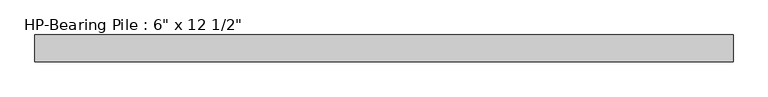
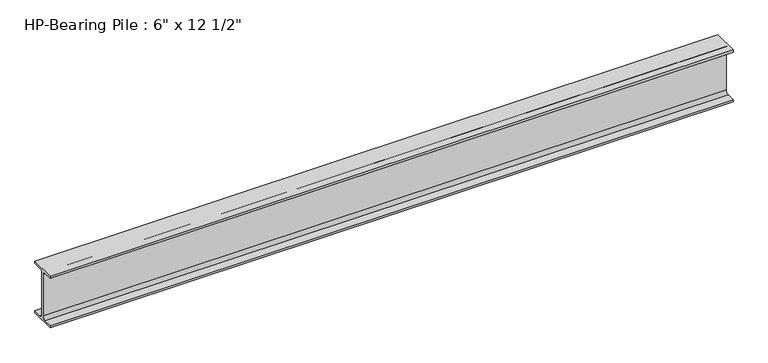
"""IFC4 building model written with IfcOpenShell, lengths in millimetres: beam geometry."""

import ifcopenshell
import ifcopenshell.guid

model = None  # the IFC model being written
_history = None  # IfcOwnerHistory: only IFC2X3 demands one
_inside = {}  # id of a spatial element -> (the spatial element, [elements in it])
_under = {}  # id of a project, library or spatial element -> (it, [spatial elements below it])
_declared = {}  # id of a project -> (the project, [libraries it declares])
_typed = {}  # id of a type object -> (the type object, [elements of that type])
_made_of = {}  # id of a material, layer set ... -> (it, [elements and type objects made of it])


def new_model(schema):
    """Start an empty IFC model of exactly this schema.

    Asked for "IFC4X3", IfcOpenShell would pick the latest addendum, in which some entities
    have other attributes; the version numbers below select the first issue.
    IFC2X3 requires an IfcOwnerHistory on every rooted entity: one is made here for all.
    """
    global model, _history
    if schema == "IFC4X3":
        model = ifcopenshell.file(schema_version=(4, 3, 0, 0))
    else:
        model = ifcopenshell.file(schema=schema)
    _inside.clear()
    _under.clear()
    _declared.clear()
    _typed.clear()
    _made_of.clear()
    _history = None
    if model.schema == "IFC2X3":
        org = make("IfcOrganization", Name="unknown")
        user = make(
            "IfcPersonAndOrganization",
            ThePerson=make("IfcPerson", FamilyName="unknown"),
            TheOrganization=org,
        )
        app = make(
            "IfcApplication",
            ApplicationDeveloper=org,
            Version="unknown",
            ApplicationFullName="unknown",
            ApplicationIdentifier="unknown",
        )
        _history = make(
            "IfcOwnerHistory",
            OwningUser=user,
            OwningApplication=app,
            ChangeAction="ADDED",
            CreationDate=0,
        )
    return model


def make(cls, **values):
    """One entity of the class cls with the attributes given. An attribute that is None is left unset."""
    return model.create_entity(
        cls, **{name: value for name, value in values.items() if value is not None}
    )


def rooted(cls, **values):
    """An entity with a GlobalId (a new one), such as an element, a storey or a relation."""
    return make(cls, GlobalId=ifcopenshell.guid.new(), OwnerHistory=_history, **values)


def si_unit(unit_type, name, prefix=None):
    """IfcSIUnit, for example si_unit("LENGTHUNIT", "METRE", prefix="MILLI")."""
    return make("IfcSIUnit", UnitType=unit_type, Prefix=prefix, Name=name)


def assignment(units):
    """IfcUnitAssignment: the units of a project."""
    return None if units is None else make("IfcUnitAssignment", Units=units)


def point(xyz):
    """IfcCartesianPoint."""
    return None if xyz is None else make("IfcCartesianPoint", Coordinates=xyz)


def direction(xyz):
    """IfcDirection."""
    return None if xyz is None else make("IfcDirection", DirectionRatios=xyz)


def frame(location, z_axis=None, x_axis=None):
    """IfcAxis2Placement3D, a coordinate frame: its origin and axes. An axis left out is left unset."""
    return make(
        "IfcAxis2Placement3D",
        Location=point(location),
        Axis=direction(z_axis),
        RefDirection=direction(x_axis),
    )


def frame_2d(location, x_axis=None):
    """IfcAxis2Placement2D, a coordinate frame in the plane: its origin and x axis."""
    return make(
        "IfcAxis2Placement2D", Location=point(location), RefDirection=direction(x_axis)
    )


def origin():
    """The frame at (0, 0, 0) with its axes left unset."""
    return frame((0.0, 0.0, 0.0))


def place(relative_to, where):
    """IfcLocalPlacement: puts the frame where relative to a parent placement (None: the world)."""
    return make(
        "IfcLocalPlacement", PlacementRelTo=relative_to, RelativePlacement=where
    )


def context(
    kind, dimensions, precision=None, world=None, true_north=None, identifier=None
):
    """IfcGeometricRepresentationContext, for example the 3D "Model" context."""
    return make(
        "IfcGeometricRepresentationContext",
        ContextIdentifier=identifier,
        ContextType=kind,
        CoordinateSpaceDimension=dimensions,
        Precision=precision,
        WorldCoordinateSystem=world,
        TrueNorth=true_north,
    )


def project(units=None, contexts=None):
    """IfcProject with its units and contexts."""
    return rooted(
        "IfcProject",
        Name="project",
        RepresentationContexts=contexts,
        UnitsInContext=assignment(units),
    )


def spatial(cls, under=None, at=None, **own):
    """A site, building, storey or space (cls), placed at a placement, below another one or the project."""
    s = rooted(cls, ObjectPlacement=at, **own)
    if under is not None:
        _under.setdefault(under.id(), (under, []))[1].append(s)
    return s


def polyline(points):
    """IfcPolyline through the points."""
    return make("IfcPolyline", Points=[point(p) for p in points])


def circle_curve(where, radius):
    """IfcCircle in the frame where."""
    return make("IfcCircle", Position=where, Radius=radius)


def trimmed(basis, trim1, trim2, sense, master):
    """IfcTrimmedCurve: the piece of a basis curve between two trims."""
    return make(
        "IfcTrimmedCurve",
        BasisCurve=basis,
        Trim1=trim1,
        Trim2=trim2,
        SenseAgreement=sense,
        MasterRepresentation=master,
    )


def segment(curve, same_sense, transition):
    """IfcCompositeCurveSegment."""
    return make(
        "IfcCompositeCurveSegment",
        Transition=transition,
        SameSense=same_sense,
        ParentCurve=curve,
    )


def composite_curve(segments, self_intersect=None):
    """IfcCompositeCurve: segments joined end to end."""
    return make("IfcCompositeCurve", Segments=segments, SelfIntersect=self_intersect)


def outline(outer, holes=None, kind="AREA"):
    """IfcArbitraryClosedProfileDef: a profile drawn as a closed curve; with holes, ...WithVoids."""
    if holes is None:
        return make("IfcArbitraryClosedProfileDef", ProfileType=kind, OuterCurve=outer)
    return make(
        "IfcArbitraryProfileDefWithVoids",
        ProfileType=kind,
        OuterCurve=outer,
        InnerCurves=holes,
    )


def extrude(swept, where, along, depth):
    """IfcExtrudedAreaSolid: the profile swept, set in the frame where, extruded along a direction by depth."""
    return make(
        "IfcExtrudedAreaSolid",
        SweptArea=swept,
        Position=where,
        ExtrudedDirection=direction(along),
        Depth=depth,
    )


def shape(context_of_items, identifier, shape_type, items):
    """IfcShapeRepresentation: the items that make up one representation, for example the "Body"."""
    return make(
        "IfcShapeRepresentation",
        ContextOfItems=context_of_items,
        RepresentationIdentifier=identifier,
        RepresentationType=shape_type,
        Items=items,
    )


def source(mapping_origin, context_of_items, identifier, shape_type, items):
    """IfcRepresentationMap: a shape defined once, which mapped items show again and again."""
    return make(
        "IfcRepresentationMap",
        MappingOrigin=mapping_origin,
        MappedRepresentation=shape(context_of_items, identifier, shape_type, items),
    )


def transform(
    local_origin,
    x_axis=None,
    y_axis=None,
    z_axis=None,
    scale=None,
    scale2=None,
    scale3=None,
    uniform=True,
):
    """IfcCartesianTransformationOperator3D, or its non-uniform kind. x_axis, y_axis, z_axis: its Axis1, 2, 3."""
    if uniform:
        return make(
            "IfcCartesianTransformationOperator3D",
            Axis1=direction(x_axis),
            Axis2=direction(y_axis),
            LocalOrigin=point(local_origin),
            Scale=scale,
            Axis3=direction(z_axis),
        )
    return make(
        "IfcCartesianTransformationOperator3DnonUniform",
        Axis1=direction(x_axis),
        Axis2=direction(y_axis),
        LocalOrigin=point(local_origin),
        Scale=scale,
        Axis3=direction(z_axis),
        Scale2=scale2,
        Scale3=scale3,
    )


def mapped(mapping_source, mapping_target):
    """IfcMappedItem: shows the shape of a source again, moved by a transform."""
    return make(
        "IfcMappedItem", MappingSource=mapping_source, MappingTarget=mapping_target
    )


def made_of(thing, what):
    """Note that an element or type object is made of a material, layer set ...; save() writes the relation."""
    if what is not None:
        _made_of.setdefault(what.id(), (what, []))[1].append(thing)
    return thing


def element(
    cls,
    number,
    at=None,
    inside=None,
    cuts=None,
    type_object=None,
    material=None,
    context=None,
    identifier="Body",
    shape_type=None,
    held_by="IfcProductDefinitionShape",
    body=None,
    shapes=None,
    **own,
):
    """One element of the class cls, such as IfcWall. Its Tag is "e" and its number.

    at: its placement. inside: the storey or other place that contains it. cuts: it is an
    opening in that element (IfcRelVoidsElement). A single representation is given by context,
    identifier, shape_type and body (its items); several are given by shapes. held_by: the class
    of the entity that holds the representations. save() writes the other relations.
    """
    e = rooted(cls, Tag="e%d" % number, ObjectPlacement=at, **own)
    if body is not None:
        shapes = [shape(context, identifier, shape_type, body)]
    if shapes is not None:
        e.Representation = make(held_by, Representations=shapes)
    if inside is not None:
        _inside.setdefault(inside.id(), (inside, []))[1].append(e)
    if cuts is not None:
        rooted(
            "IfcRelVoidsElement", RelatingBuildingElement=cuts, RelatedOpeningElement=e
        )
    if type_object is not None:
        _typed.setdefault(type_object.id(), (type_object, []))[1].append(e)
    return made_of(e, material)


def aggregate(whole, parts):
    """IfcRelAggregates: a whole, such as a stair, and the parts it consists of."""
    return rooted("IfcRelAggregates", RelatingObject=whole, RelatedObjects=parts)


def save(model, path):
    """Write the relations noted so far, then the file.

    IfcRelAggregates (storeys below a building ...), IfcRelContainedInSpatialStructure (elements
    in a storey), IfcRelDefinesByType, IfcRelAssociatesMaterial and IfcRelDeclares: one each for
    every whole, place, type object, material and project.
    """
    for whole, parts in _under.values():
        aggregate(whole, parts)
    for where, things in _inside.values():
        rooted(
            "IfcRelContainedInSpatialStructure",
            RelatedElements=things,
            RelatingStructure=where,
        )
    for kind, things in _typed.values():
        rooted("IfcRelDefinesByType", RelatedObjects=things, RelatingType=kind)
    for what, things in _made_of.values():
        rooted("IfcRelAssociatesMaterial", RelatedObjects=things, RelatingMaterial=what)
    for by, libraries in _declared.values():
        rooted("IfcRelDeclares", RelatingContext=by, RelatedDefinitions=libraries)
    model.write(path)


def beam_935c6fa4(model_context):
    return source(origin(), model_context, "Body", "SweptSolid", [
        extrude(outline(composite_curve([segment(polyline([(76.2, -146.05), (76.2, -158.75), (-76.2, -158.75), (-76.2, -146.05), (-25.4, -146.05)]), True, "CONTINUOUS"), segment(trimmed(circle_curve(frame_2d((-25.4, -127.0)), 19.05), [point((-25.4, -146.05))], [point((-6.35, -127.0))], True, "CARTESIAN"), True, "CONTINUOUS"), segment(polyline([(-6.35, -127.0), (-6.35, 127.0)]), True, "CONTINUOUS"), segment(trimmed(circle_curve(frame_2d((-25.4, 127.0)), 19.05), [point((-6.35, 127.0))], [point((-25.4, 146.05))], True, "CARTESIAN"), True, "CONTINUOUS"), segment(polyline([(-25.4, 146.05), (-76.2, 146.05), (-76.2, 158.75), (76.2, 158.75), (76.2, 146.05), (25.4, 146.05)]), True, "CONTINUOUS"), segment(trimmed(circle_curve(frame_2d((25.4, 127.0)), 19.05), [point((25.4, 146.05))], [point((6.35, 127.0))], True, "CARTESIAN"), True, "CONTINUOUS"), segment(polyline([(6.35, 127.0), (6.35, -127.0)]), True, "CONTINUOUS"), segment(trimmed(circle_curve(frame_2d((25.4, -127.0)), 19.05), [point((6.35, -127.0))], [point((25.4, -146.05))], True, "CARTESIAN"), True, "CONTINUOUS"), segment(polyline([(25.4, -146.05), (76.2, -146.05)]), True, "CONTINUOUS")], self_intersect=False)), frame((-1985.4785271, 0.0, 0.0), z_axis=(1.0, 0.0, 0.0), x_axis=(0.0, 1.0, 0.0)), (0.0, 0.0, 1.0), 3970.9570542),
    ])


if __name__ == "__main__":
    model = new_model("IFC4")
    model_context = context("Model", 3, world=origin())
    ifc_project = project(units=[si_unit("LENGTHUNIT", "METRE", prefix="MILLI")], contexts=[model_context])
    site = spatial("IfcSite", under=ifc_project)
    building = spatial("IfcBuilding", under=site)
    placement = place(None, origin())
    beam_shape = beam_935c6fa4(model_context)
    element("IfcBeam", 1, ObjectType="HP-Bearing Pile : 6\" x 12 1/2\"", at=placement, inside=building, context=model_context, shape_type="MappedRepresentation", body=[
        mapped(beam_shape, transform((0.0, 0.0, 0.0), x_axis=(1.0, 0.0, 0.0), y_axis=(0.0, 1.0, 0.0), z_axis=(0.0, 0.0, 1.0))),
    ])
    save(model, "model.ifc")
